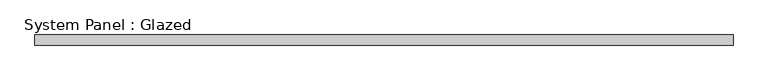
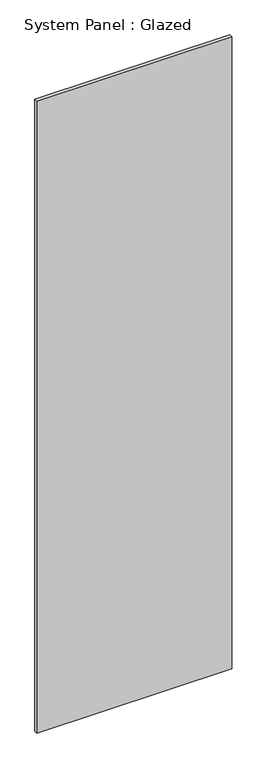
"""IFC4 building model written with IfcOpenShell, lengths in millimetres: plate geometry, System Panel : Glazed."""

import ifcopenshell
import ifcopenshell.guid

model = None  # the IFC model being written
_history = None  # IfcOwnerHistory: only IFC2X3 demands one
_inside = {}  # id of a spatial element -> (the spatial element, [elements in it])
_under = {}  # id of a project, library or spatial element -> (it, [spatial elements below it])
_declared = {}  # id of a project -> (the project, [libraries it declares])
_typed = {}  # id of a type object -> (the type object, [elements of that type])
_made_of = {}  # id of a material, layer set ... -> (it, [elements and type objects made of it])


def new_model(schema):
    """Start an empty IFC model of exactly this schema.

    Asked for "IFC4X3", IfcOpenShell would pick the latest addendum, in which some entities
    have other attributes; the version numbers below select the first issue.
    IFC2X3 requires an IfcOwnerHistory on every rooted entity: one is made here for all.
    """
    global model, _history
    if schema == "IFC4X3":
        model = ifcopenshell.file(schema_version=(4, 3, 0, 0))
    else:
        model = ifcopenshell.file(schema=schema)
    _inside.clear()
    _under.clear()
    _declared.clear()
    _typed.clear()
    _made_of.clear()
    _history = None
    if model.schema == "IFC2X3":
        org = make("IfcOrganization", Name="unknown")
        user = make(
            "IfcPersonAndOrganization",
            ThePerson=make("IfcPerson", FamilyName="unknown"),
            TheOrganization=org,
        )
        app = make(
            "IfcApplication",
            ApplicationDeveloper=org,
            Version="unknown",
            ApplicationFullName="unknown",
            ApplicationIdentifier="unknown",
        )
        _history = make(
            "IfcOwnerHistory",
            OwningUser=user,
            OwningApplication=app,
            ChangeAction="ADDED",
            CreationDate=0,
        )
    return model


def make(cls, **values):
    """One entity of the class cls with the attributes given. An attribute that is None is left unset."""
    return model.create_entity(
        cls, **{name: value for name, value in values.items() if value is not None}
    )


def rooted(cls, **values):
    """An entity with a GlobalId (a new one), such as an element, a storey or a relation."""
    return make(cls, GlobalId=ifcopenshell.guid.new(), OwnerHistory=_history, **values)


def si_unit(unit_type, name, prefix=None):
    """IfcSIUnit, for example si_unit("LENGTHUNIT", "METRE", prefix="MILLI")."""
    return make("IfcSIUnit", UnitType=unit_type, Prefix=prefix, Name=name)


def assignment(units):
    """IfcUnitAssignment: the units of a project."""
    return None if units is None else make("IfcUnitAssignment", Units=units)


def point(xyz):
    """IfcCartesianPoint."""
    return None if xyz is None else make("IfcCartesianPoint", Coordinates=xyz)


def direction(xyz):
    """IfcDirection."""
    return None if xyz is None else make("IfcDirection", DirectionRatios=xyz)


def frame(location, z_axis=None, x_axis=None):
    """IfcAxis2Placement3D, a coordinate frame: its origin and axes. An axis left out is left unset."""
    return make(
        "IfcAxis2Placement3D",
        Location=point(location),
        Axis=direction(z_axis),
        RefDirection=direction(x_axis),
    )


def origin():
    """The frame at (0, 0, 0) with its axes left unset."""
    return frame((0.0, 0.0, 0.0))


def origin_with_axes():
    """The frame at (0, 0, 0) with the z axis (0, 0, 1) and the x axis (1, 0, 0) written out."""
    return frame((0.0, 0.0, 0.0), z_axis=(0.0, 0.0, 1.0), x_axis=(1.0, 0.0, 0.0))


def place(relative_to, where):
    """IfcLocalPlacement: puts the frame where relative to a parent placement (None: the world)."""
    return make(
        "IfcLocalPlacement", PlacementRelTo=relative_to, RelativePlacement=where
    )


def context(
    kind, dimensions, precision=None, world=None, true_north=None, identifier=None
):
    """IfcGeometricRepresentationContext, for example the 3D "Model" context."""
    return make(
        "IfcGeometricRepresentationContext",
        ContextIdentifier=identifier,
        ContextType=kind,
        CoordinateSpaceDimension=dimensions,
        Precision=precision,
        WorldCoordinateSystem=world,
        TrueNorth=true_north,
    )


def project(units=None, contexts=None):
    """IfcProject with its units and contexts."""
    return rooted(
        "IfcProject",
        Name="project",
        RepresentationContexts=contexts,
        UnitsInContext=assignment(units),
    )


def spatial(cls, under=None, at=None, **own):
    """A site, building, storey or space (cls), placed at a placement, below another one or the project."""
    s = rooted(cls, ObjectPlacement=at, **own)
    if under is not None:
        _under.setdefault(under.id(), (under, []))[1].append(s)
    return s


def polyline(points):
    """IfcPolyline through the points."""
    return make("IfcPolyline", Points=[point(p) for p in points])


def outline(outer, holes=None, kind="AREA"):
    """IfcArbitraryClosedProfileDef: a profile drawn as a closed curve; with holes, ...WithVoids."""
    if holes is None:
        return make("IfcArbitraryClosedProfileDef", ProfileType=kind, OuterCurve=outer)
    return make(
        "IfcArbitraryProfileDefWithVoids",
        ProfileType=kind,
        OuterCurve=outer,
        InnerCurves=holes,
    )


def extrude(swept, where, along, depth):
    """IfcExtrudedAreaSolid: the profile swept, set in the frame where, extruded along a direction by depth."""
    return make(
        "IfcExtrudedAreaSolid",
        SweptArea=swept,
        Position=where,
        ExtrudedDirection=direction(along),
        Depth=depth,
    )


def shape(context_of_items, identifier, shape_type, items):
    """IfcShapeRepresentation: the items that make up one representation, for example the "Body"."""
    return make(
        "IfcShapeRepresentation",
        ContextOfItems=context_of_items,
        RepresentationIdentifier=identifier,
        RepresentationType=shape_type,
        Items=items,
    )


def source(mapping_origin, context_of_items, identifier, shape_type, items):
    """IfcRepresentationMap: a shape defined once, which mapped items show again and again."""
    return make(
        "IfcRepresentationMap",
        MappingOrigin=mapping_origin,
        MappedRepresentation=shape(context_of_items, identifier, shape_type, items),
    )


def transform(
    local_origin,
    x_axis=None,
    y_axis=None,
    z_axis=None,
    scale=None,
    scale2=None,
    scale3=None,
    uniform=True,
):
    """IfcCartesianTransformationOperator3D, or its non-uniform kind. x_axis, y_axis, z_axis: its Axis1, 2, 3."""
    if uniform:
        return make(
            "IfcCartesianTransformationOperator3D",
            Axis1=direction(x_axis),
            Axis2=direction(y_axis),
            LocalOrigin=point(local_origin),
            Scale=scale,
            Axis3=direction(z_axis),
        )
    return make(
        "IfcCartesianTransformationOperator3DnonUniform",
        Axis1=direction(x_axis),
        Axis2=direction(y_axis),
        LocalOrigin=point(local_origin),
        Scale=scale,
        Axis3=direction(z_axis),
        Scale2=scale2,
        Scale3=scale3,
    )


def mapped(mapping_source, mapping_target):
    """IfcMappedItem: shows the shape of a source again, moved by a transform."""
    return make(
        "IfcMappedItem", MappingSource=mapping_source, MappingTarget=mapping_target
    )


def made_of(thing, what):
    """Note that an element or type object is made of a material, layer set ...; save() writes the relation."""
    if what is not None:
        _made_of.setdefault(what.id(), (what, []))[1].append(thing)
    return thing


def element(
    cls,
    number,
    at=None,
    inside=None,
    cuts=None,
    type_object=None,
    material=None,
    context=None,
    identifier="Body",
    shape_type=None,
    held_by="IfcProductDefinitionShape",
    body=None,
    shapes=None,
    **own,
):
    """One element of the class cls, such as IfcWall. Its Tag is "e" and its number.

    at: its placement. inside: the storey or other place that contains it. cuts: it is an
    opening in that element (IfcRelVoidsElement). A single representation is given by context,
    identifier, shape_type and body (its items); several are given by shapes. held_by: the class
    of the entity that holds the representations. save() writes the other relations.
    """
    e = rooted(cls, Tag="e%d" % number, ObjectPlacement=at, **own)
    if body is not None:
        shapes = [shape(context, identifier, shape_type, body)]
    if shapes is not None:
        e.Representation = make(held_by, Representations=shapes)
    if inside is not None:
        _inside.setdefault(inside.id(), (inside, []))[1].append(e)
    if cuts is not None:
        rooted(
            "IfcRelVoidsElement", RelatingBuildingElement=cuts, RelatedOpeningElement=e
        )
    if type_object is not None:
        _typed.setdefault(type_object.id(), (type_object, []))[1].append(e)
    return made_of(e, material)


def aggregate(whole, parts):
    """IfcRelAggregates: a whole, such as a stair, and the parts it consists of."""
    return rooted("IfcRelAggregates", RelatingObject=whole, RelatedObjects=parts)


def save(model, path):
    """Write the relations noted so far, then the file.

    IfcRelAggregates (storeys below a building ...), IfcRelContainedInSpatialStructure (elements
    in a storey), IfcRelDefinesByType, IfcRelAssociatesMaterial and IfcRelDeclares: one each for
    every whole, place, type object, material and project.
    """
    for whole, parts in _under.values():
        aggregate(whole, parts)
    for where, things in _inside.values():
        rooted(
            "IfcRelContainedInSpatialStructure",
            RelatedElements=things,
            RelatingStructure=where,
        )
    for kind, things in _typed.values():
        rooted("IfcRelDefinesByType", RelatedObjects=things, RelatingType=kind)
    for what, things in _made_of.values():
        rooted("IfcRelAssociatesMaterial", RelatedObjects=things, RelatingMaterial=what)
    for by, libraries in _declared.values():
        rooted("IfcRelDeclares", RelatingContext=by, RelatedDefinitions=libraries)
    model.write(path)


def system_panel_glazed_b9f76559(model_context):
    return source(origin(), model_context, "Body", "SweptSolid", [
        extrude(outline(polyline([(850.9, 19.05), (-850.9, 19.05), (-850.9, 44.45), (850.9, 44.45), (850.9, 19.05)])), origin_with_axes(), (0.0, 0.0, 1.0), 5829.3),
    ])


if __name__ == "__main__":
    model = new_model("IFC4")
    model_context = context("Model", 3, world=origin())
    ifc_project = project(units=[si_unit("LENGTHUNIT", "METRE", prefix="MILLI")], contexts=[model_context])
    site = spatial("IfcSite", under=ifc_project)
    building = spatial("IfcBuilding", under=site)
    placement = place(None, origin())
    system_panel_glazed_shape = system_panel_glazed_b9f76559(model_context)
    element("IfcPlate", 1, ObjectType="System Panel : Glazed", at=placement, inside=building, context=model_context, shape_type="MappedRepresentation", body=[
        mapped(system_panel_glazed_shape, transform((0.0, 0.0, 0.0), x_axis=(1.0, 0.0, 0.0), y_axis=(0.0, 1.0, 0.0), z_axis=(0.0, 0.0, 1.0))),
    ])
    save(model, "model.ifc")
